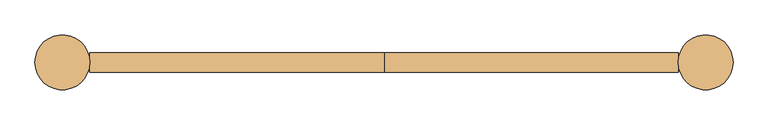
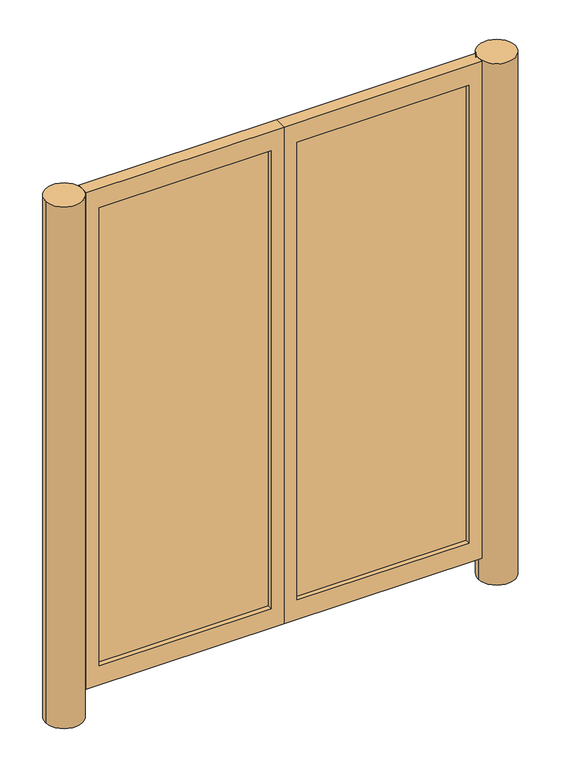
"""IFC4 building model written with IfcOpenShell, lengths in millimetres: door geometry."""

from ifc_helpers import new_model, si_unit, point, frame, frame_2d, origin, origin_with_axes, place, context, project, spatial, polyline, circle_curve, trimmed, segment, composite_curve, outline, extrude, source, transform, mapped, element, save


def door_6437ac64(model_context):
    return source(origin(), model_context, "Body", "SweptSolid", [
        extrude(outline(composite_curve([segment(trimmed(circle_curve(frame_2d((-838.2, 203.2)), 71.4375), [point((-909.6375, 203.2))], [point((-766.7625, 203.2))], False, "CARTESIAN"), True, "CONTINUOUS"), segment(trimmed(circle_curve(frame_2d((-838.2, 203.2)), 71.4375), [point((-766.7625, 203.2))], [point((-909.6375, 203.2))], False, "CARTESIAN"), True, "CONTINUOUS")], self_intersect=False)), origin_with_axes(), (0.0, 0.0, 1.0), 2133.6),
        extrude(outline(composite_curve([segment(trimmed(circle_curve(frame_2d((838.2, 203.2)), 71.4375), [point((766.7625, 203.2))], [point((909.6375, 203.2))], False, "CARTESIAN"), True, "CONTINUOUS"), segment(trimmed(circle_curve(frame_2d((838.2, 203.2)), 71.4375), [point((909.6375, 203.2))], [point((766.7625, 203.2))], False, "CARTESIAN"), True, "CONTINUOUS")], self_intersect=False)), origin_with_axes(), (0.0, 0.0, 1.0), 2133.6),
        extrude(outline(polyline([(-50.8, 196.85), (-715.9625, 196.85), (-715.9625, 209.55), (-50.8, 209.55), (-50.8, 196.85)])), frame((0.0, 0.0, 180.975), z_axis=(0.0, 0.0, 1.0), x_axis=(1.0, 0.0, 0.0)), (0.0, 0.0, 1.0), 1873.25),
        extrude(outline(polyline([(715.9625, 196.85), (50.8, 196.85), (50.8, 209.55), (715.9625, 209.55), (715.9625, 196.85)])), frame((0.0, 0.0, 180.975), z_axis=(0.0, 0.0, 1.0), x_axis=(1.0, 0.0, 0.0)), (0.0, 0.0, 1.0), 1873.25),
        extrude(outline(polyline([(2133.6, -766.7625), (101.6, -766.7625), (101.6, 0.0), (2133.6, 0.0), (2133.6, -766.7625)]), holes=[polyline([(2054.225, -715.9625), (2054.225, -50.8), (180.975, -50.8), (180.975, -715.9625), (2054.225, -715.9625)])]), frame((0.0, 177.8, 0.0), z_axis=(0.0, 1.0, 0.0), x_axis=(0.0, 0.0, 1.0)), (0.0, 0.0, 1.0), 50.8),
        extrude(outline(polyline([(2133.6, 0.0), (101.6, 0.0), (101.6, 766.7625), (2133.6, 766.7625), (2133.6, 0.0)]), holes=[polyline([(2054.225, 50.8), (2054.225, 715.9625), (180.975, 715.9625), (180.975, 50.8), (2054.225, 50.8)])]), frame((0.0, 177.8, 0.0), z_axis=(0.0, 1.0, 0.0), x_axis=(0.0, 0.0, 1.0)), (0.0, 0.0, 1.0), 50.8),
    ])


if __name__ == "__main__":
    model = new_model("IFC4")
    model_context = context("Model", 3, world=origin())
    ifc_project = project(units=[si_unit("LENGTHUNIT", "METRE", prefix="MILLI")], contexts=[model_context])
    site = spatial("IfcSite", under=ifc_project)
    building = spatial("IfcBuilding", under=site)
    placement = place(None, origin())
    door_shape = door_6437ac64(model_context)
    element("IfcDoor", 1, at=placement, inside=building, context=model_context, shape_type="MappedRepresentation", body=[
        mapped(door_shape, transform((0.0, 0.0, 0.0), x_axis=(1.0, 0.0, 0.0), y_axis=(0.0, 1.0, 0.0), z_axis=(0.0, 0.0, 1.0))),
    ])
    save(model, "model.ifc")
